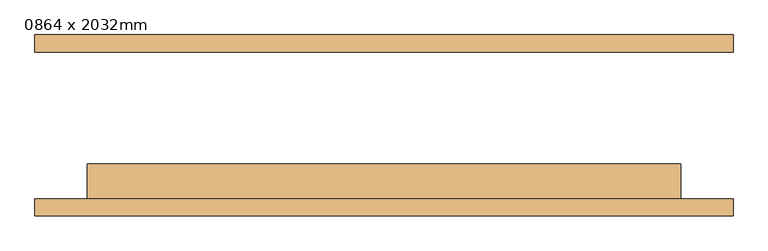
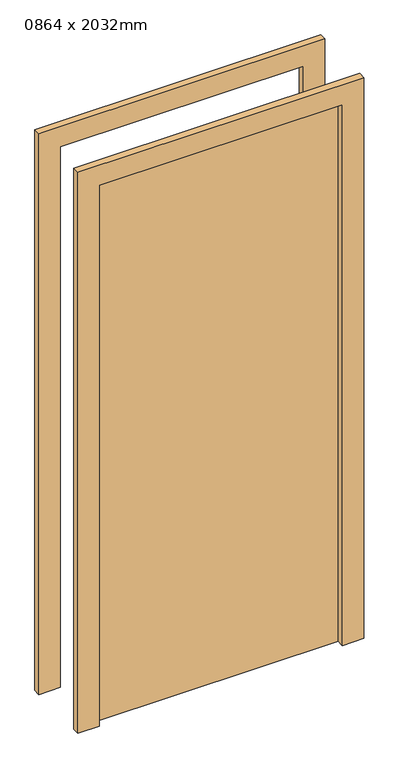
"""IFC4 building model written with IfcOpenShell, lengths in millimetres: door geometry, 0864 x 2032mm."""

from ifc_helpers import new_model, si_unit, frame, origin, origin_with_axes, place, context, project, spatial, polyline, outline, extrude, source, transform, mapped, element, save


def door_0864_x_2032mm_c3d1e655(model_context):
    return source(origin(), model_context, "Body", "SweptSolid", [
        extrude(outline(polyline([(2108.0, -508.0), (0.0, -508.0), (0.0, -432.0), (2032.0, -432.0), (2032.0, 432.0), (0.0, 432.0), (0.0, 508.0), (2108.0, 508.0), (2108.0, -508.0)])), frame((0.0, -132.0, 0.0), z_axis=(0.0, 1.0, 0.0), x_axis=(0.0, 0.0, 1.0)), (0.0, 0.0, 1.0), 25.0),
        extrude(outline(polyline([(2108.0, 508.0), (2108.0, -508.0), (0.0, -508.0), (0.0, -432.0), (2032.0, -432.0), (2032.0, 432.0), (0.0, 432.0), (0.0, 508.0), (2108.0, 508.0)])), frame((0.0, 107.0, 0.0), z_axis=(0.0, 1.0, 0.0), x_axis=(0.0, 0.0, 1.0)), (0.0, 0.0, 1.0), 25.0),
        extrude(outline(polyline([(432.0, -56.0), (432.0, -107.0), (-432.0, -107.0), (-432.0, -56.0), (432.0, -56.0)])), origin_with_axes(), (0.0, 0.0, 1.0), 2032.0),
    ])


if __name__ == "__main__":
    model = new_model("IFC4")
    model_context = context("Model", 3, world=origin())
    ifc_project = project(units=[si_unit("LENGTHUNIT", "METRE", prefix="MILLI")], contexts=[model_context])
    site = spatial("IfcSite", under=ifc_project)
    building = spatial("IfcBuilding", under=site)
    placement = place(None, origin())
    door_0864_x_2032mm_shape = door_0864_x_2032mm_c3d1e655(model_context)
    element("IfcDoor", 1, ObjectType="0864 x 2032mm", at=placement, inside=building, context=model_context, shape_type="MappedRepresentation", body=[
        mapped(door_0864_x_2032mm_shape, transform((0.0, 0.0, 0.0), x_axis=(1.0, 0.0, 0.0), y_axis=(0.0, 1.0, 0.0), z_axis=(0.0, 0.0, 1.0))),
    ])
    save(model, "model.ifc")
